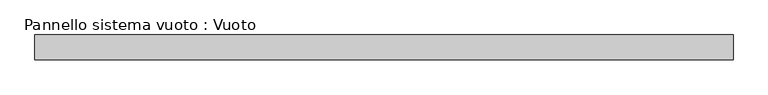
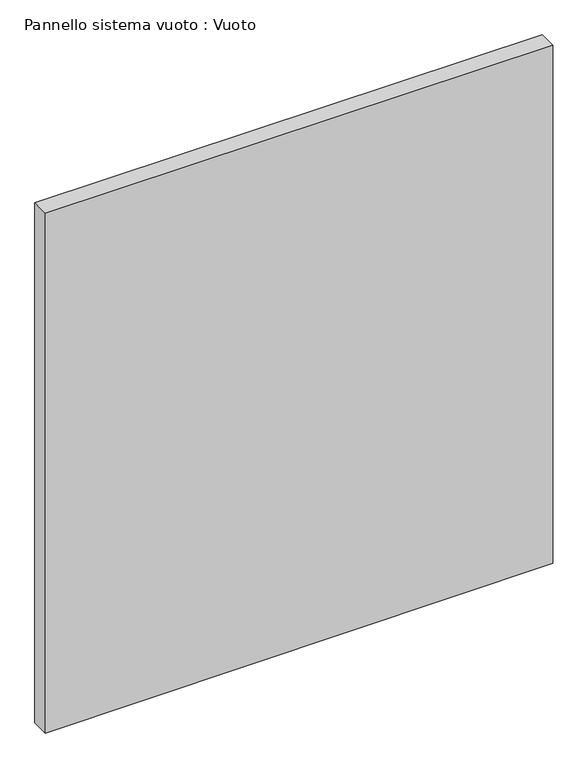
"""IFC4 building model written with IfcOpenShell, lengths in millimetres: plate geometry, Pannello sistema vuoto : Vuoto."""

from ifc_helpers import new_model, si_unit, frame, origin, place, context, project, spatial, polyline, outline, extrude, source, transform, mapped, element, save


def pannello_sistema_vuoto_vuoto_62b0691f(model_context):
    return source(origin(), model_context, "Body", "SweptSolid", [
        extrude(outline(polyline([(0.0, -1400.0), (11.6210281, 1400.0), (3031.3838202, 1400.0), (3031.3838202, -1400.0), (0.0, -1400.0)])), frame((0.0, 50.0, 0.0), z_axis=(0.0, 1.0, 0.0), x_axis=(0.0, 0.0, 1.0)), (0.0, 0.0, 1.0), 100.0),
    ])


if __name__ == "__main__":
    model = new_model("IFC4")
    model_context = context("Model", 3, world=origin())
    ifc_project = project(units=[si_unit("LENGTHUNIT", "METRE", prefix="MILLI")], contexts=[model_context])
    site = spatial("IfcSite", under=ifc_project)
    building = spatial("IfcBuilding", under=site)
    placement = place(None, origin())
    pannello_sistema_vuoto_vuoto_shape = pannello_sistema_vuoto_vuoto_62b0691f(model_context)
    element("IfcPlate", 1, ObjectType="Pannello sistema vuoto : Vuoto", at=placement, inside=building, context=model_context, shape_type="MappedRepresentation", body=[
        mapped(pannello_sistema_vuoto_vuoto_shape, transform((0.0, 0.0, 0.0), x_axis=(1.0, 0.0, 0.0), y_axis=(0.0, 1.0, 0.0), z_axis=(0.0, 0.0, 1.0))),
    ])
    save(model, "model.ifc")
